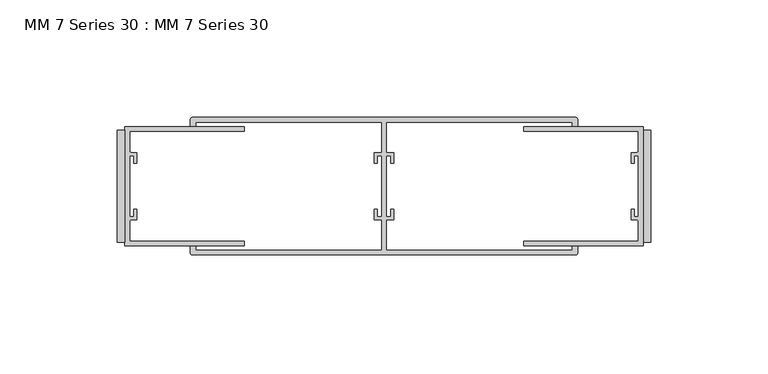
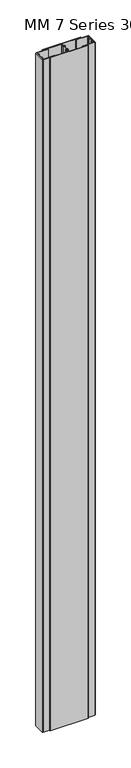
"""IFC4 building model written with IfcOpenShell, lengths in millimetres: proxy geometry, MM 7 Series 30 : MM 7 Series 30."""

from ifc_helpers import new_model, si_unit, point, frame_2d, origin, origin_with_axes, place, context, project, spatial, polyline, circle_curve, trimmed, segment, composite_curve, outline, extrude, source, transform, mapped, element, save


def mm_7_series_30_mm_7_series_30_445e73cb(model_context):
    return source(origin(), model_context, "Body", "SweptSolid", [
        extrude(outline(composite_curve([segment(polyline([(-3.175, -25.4), (-53.975, -25.4), (-53.975, -23.4188), (-5.1562, -23.4188), (-5.1562, -15.0674773)]), True, "CONTINUOUS"), segment(trimmed(circle_curve(frame_2d((-5.9182, -15.0674773)), 0.762), [point((-5.1562, -15.0674773))], [point((-5.9182, -14.3054773))], True, "CARTESIAN"), True, "CONTINUOUS"), segment(polyline([(-5.9182, -14.3054773), (-8.3312, -14.3054773), (-8.3312, -9.7334773), (-6.9342, -9.7334773), (-6.9342, -12.9084773), (-5.1562, -12.9084773), (-5.1562, 12.8979227), (-6.9342, 12.8979227), (-6.9342, 9.7229227), (-8.3312, 9.7229227), (-8.3312, 14.2949227), (-5.9182, 14.2949227)]), True, "CONTINUOUS"), segment(trimmed(circle_curve(frame_2d((-5.9182, 15.0569227)), 0.762), [point((-5.9182, 14.2949227))], [point((-5.1562, 15.0569227))], True, "CARTESIAN"), True, "CONTINUOUS"), segment(polyline([(-5.1562, 15.0569227), (-5.1562, 23.4188), (-53.975, 23.4188), (-53.975, 25.4), (-3.175, 25.4), (-3.175, -25.4)]), True, "CONTINUOUS")], self_intersect=False)), origin_with_axes(), (0.0, 0.0, 1.0), 3048.0),
        extrude(outline(polyline([(-3.175, 23.8125), (0.0, 23.8125), (0.0, -23.8125), (-3.175, -23.8125), (-3.175, 23.8125)])), origin_with_axes(), (0.0, 0.0, 1.0), 3048.0),
        extrude(outline(polyline([(-227.0125, 23.8125), (-223.8375, 23.8125), (-223.8375, -23.8125), (-227.0125, -23.8125), (-227.0125, 23.8125)])), origin_with_axes(), (0.0, 0.0, 1.0), 3048.0),
        extrude(outline(composite_curve([segment(polyline([(-33.2542734, 27.305), (-112.51565, 27.305), (-112.51565, 14.3053805), (-109.3035439, 14.3053805), (-109.3035439, 9.7210041), (-110.6926064, 9.7210041), (-110.6926064, 12.9032004), (-112.51565, 12.9032004), (-112.51565, -12.9032004), (-110.6926064, -12.9032004), (-110.6926064, -9.7210041), (-109.3035439, -9.7210041), (-109.3035439, -14.3053805), (-112.51565, -14.3053805), (-112.51565, -27.305), (-33.2542734, -27.305), (-33.2542734, -25.527), (-30.957774, -25.527), (-30.957774, -28.095575)]), True, "CONTINUOUS"), segment(trimmed(circle_curve(frame_2d((-32.148399, -28.095575)), 1.190625), [point((-30.957774, -28.095575))], [point((-32.148399, -29.2862))], False, "CARTESIAN"), True, "CONTINUOUS"), segment(polyline([(-32.148399, -29.2862), (-194.864101, -29.2862)]), True, "CONTINUOUS"), segment(trimmed(circle_curve(frame_2d((-194.864101, -28.095575)), 1.190625), [point((-194.864101, -29.2862))], [point((-196.054726, -28.095575))], False, "CARTESIAN"), True, "CONTINUOUS"), segment(polyline([(-196.054726, -28.095575), (-196.054726, -25.527), (-193.7582266, -25.527), (-193.7582266, -27.305), (-114.49685, -27.305), (-114.49685, -14.3053805), (-117.7089561, -14.3053805), (-117.7089561, -9.7210041), (-116.3198936, -9.7210041), (-116.3198936, -12.9032004), (-114.52965, -12.9032004), (-114.52965, 12.9032004), (-116.3198936, 12.9032004), (-116.3198936, 9.7210041), (-117.7089561, 9.7210041), (-117.7089561, 14.3053805), (-114.49685, 14.3053805), (-114.49685, 27.305), (-193.7582266, 27.305), (-193.7582266, 25.527), (-196.054726, 25.527), (-196.054726, 28.095575)]), True, "CONTINUOUS"), segment(trimmed(circle_curve(frame_2d((-194.864101, 28.095575)), 1.190625), [point((-196.054726, 28.095575))], [point((-194.864101, 29.2862))], False, "CARTESIAN"), True, "CONTINUOUS"), segment(polyline([(-194.864101, 29.2862), (-32.148399, 29.2862)]), True, "CONTINUOUS"), segment(trimmed(circle_curve(frame_2d((-32.148399, 28.095575)), 1.190625), [point((-32.148399, 29.2862))], [point((-30.957774, 28.095575))], False, "CARTESIAN"), True, "CONTINUOUS"), segment(polyline([(-30.957774, 28.095575), (-30.957774, 25.527), (-33.2542734, 25.527), (-33.2542734, 27.305)]), True, "CONTINUOUS")], self_intersect=False)), origin_with_axes(), (0.0, 0.0, 1.0), 3048.0),
        extrude(outline(composite_curve([segment(polyline([(-223.8375, -25.4), (-223.8375, 25.4), (-173.0375, 25.4), (-173.0375, 23.4188), (-221.8563, 23.4188), (-221.8563, 15.0569227)]), True, "CONTINUOUS"), segment(trimmed(circle_curve(frame_2d((-221.0943, 15.0569227)), 0.762), [point((-221.8563, 15.0569227))], [point((-221.0943, 14.2949227))], True, "CARTESIAN"), True, "CONTINUOUS"), segment(polyline([(-221.0943, 14.2949227), (-218.6813, 14.2949227), (-218.6813, 9.7229227), (-220.0783, 9.7229227), (-220.0783, 12.8979227), (-221.8563, 12.8979227), (-221.8563, -12.9084773), (-220.0783, -12.9084773), (-220.0783, -9.7334773), (-218.6813, -9.7334773), (-218.6813, -14.3054773), (-221.0943, -14.3054773)]), True, "CONTINUOUS"), segment(trimmed(circle_curve(frame_2d((-221.0943, -15.0674773)), 0.762), [point((-221.0943, -14.3054773))], [point((-221.8563, -15.0674773))], True, "CARTESIAN"), True, "CONTINUOUS"), segment(polyline([(-221.8563, -15.0674773), (-221.8563, -23.4188), (-173.0375, -23.4188), (-173.0375, -25.4), (-223.8375, -25.4)]), True, "CONTINUOUS")], self_intersect=False)), origin_with_axes(), (0.0, 0.0, 1.0), 3048.0),
    ])


if __name__ == "__main__":
    model = new_model("IFC4")
    model_context = context("Model", 3, world=origin())
    ifc_project = project(units=[si_unit("LENGTHUNIT", "METRE", prefix="MILLI")], contexts=[model_context])
    site = spatial("IfcSite", under=ifc_project)
    building = spatial("IfcBuilding", under=site)
    placement = place(None, origin())
    mm_7_series_30_mm_7_series_30_shape = mm_7_series_30_mm_7_series_30_445e73cb(model_context)
    element("IfcBuildingElementProxy", 1, Name="MM 7 Series 30 : MM 7 Series 30", ObjectType="MM 7 Series 30 : MM 7 Series 30", at=placement, inside=building, context=model_context, shape_type="MappedRepresentation", body=[
        mapped(mm_7_series_30_mm_7_series_30_shape, transform((0.0, 0.0, 0.0), x_axis=(1.0, 0.0, 0.0), y_axis=(0.0, 1.0, 0.0), z_axis=(0.0, 0.0, 1.0))),
    ])
    save(model, "model.ifc")
